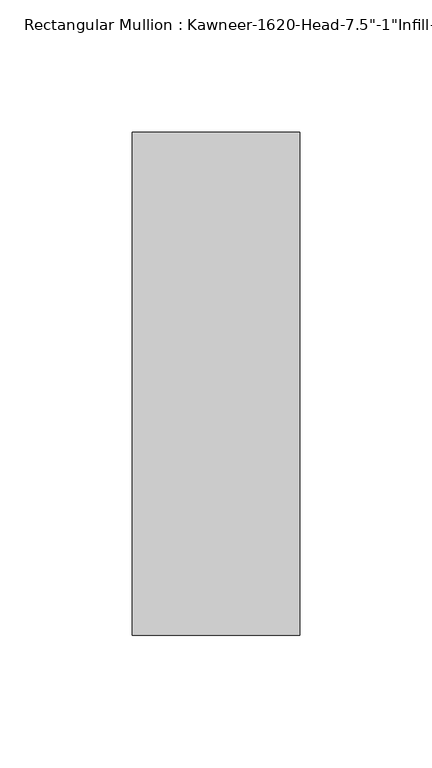
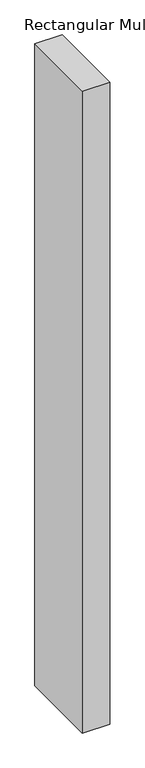
"""IFC4 building model written with IfcOpenShell, lengths in millimetres: member geometry."""

from ifc_helpers import new_model, si_unit, frame, origin, place, context, project, spatial, polyline, outline, extrude, source, transform, mapped, element, save


def member_f8c6aad3(model_context):
    return source(origin(), model_context, "Body", "SweptSolid", [
        extrude(outline(polyline([(-63.5, 38.1), (0.0, 38.1), (0.0, -152.4), (-63.5, -152.4), (-63.5, 38.1)])), frame((0.0, 0.0, -1574.8), z_axis=(0.0, 0.0, 1.0), x_axis=(1.0, 0.0, 0.0)), (0.0, 0.0, 1.0), 1574.8),
    ])


if __name__ == "__main__":
    model = new_model("IFC4")
    model_context = context("Model", 3, world=origin())
    ifc_project = project(units=[si_unit("LENGTHUNIT", "METRE", prefix="MILLI")], contexts=[model_context])
    site = spatial("IfcSite", under=ifc_project)
    building = spatial("IfcBuilding", under=site)
    placement = place(None, origin())
    member_shape = member_f8c6aad3(model_context)
    element("IfcMember", 1, ObjectType="Rectangular Mullion : Kawneer-1620-Head-7.5\"-1\"Infill-1A", at=placement, inside=building, context=model_context, shape_type="MappedRepresentation", body=[
        mapped(member_shape, transform((0.0, 0.0, 0.0), x_axis=(1.0, 0.0, 0.0), y_axis=(0.0, 1.0, 0.0), z_axis=(0.0, 0.0, 1.0))),
    ])
    save(model, "model.ifc")
